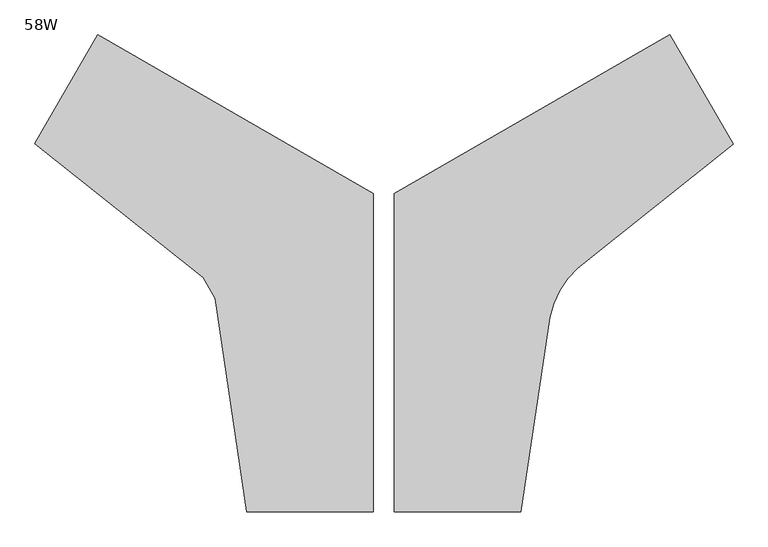
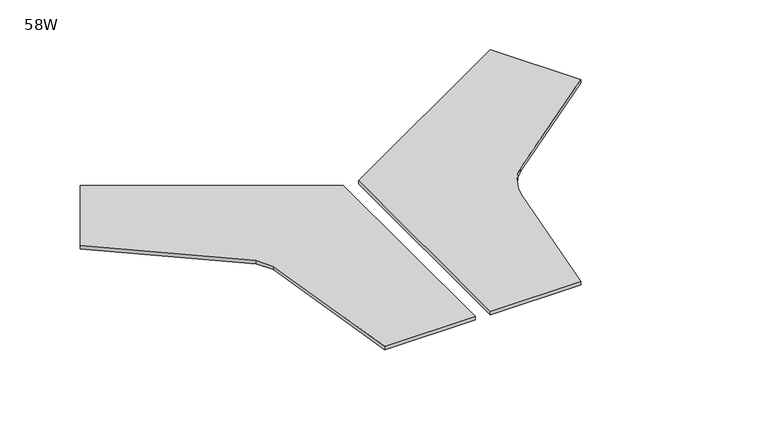
"""IFC4 building model written with IfcOpenShell, lengths in millimetres: furniture geometry, 58W."""

from ifc_helpers import new_model, si_unit, point, frame, frame_2d, origin, place, context, project, spatial, polyline, circle_curve, trimmed, segment, composite_curve, outline, extrude, source, transform, mapped, element, save


def furniture_58w_39054244(model_context):
    return source(origin(), model_context, "Body", "SweptSolid", [
        extrude(outline(composite_curve([segment(polyline([(914.5843708, 711.6439614), (914.5843708, 2196.1129292), (2200.172208, 2938.3474131), (2494.8533963, 2427.9446229), (1769.1537565, 1850.2833546)]), True, "CONTINUOUS"), segment(trimmed(circle_curve(frame_2d((2053.9411619, 1540.1064391)), 421.0861969), [point((1769.1537565, 1850.2833546))], [point((1640.0524768, 1617.6289617))], True, "CARTESIAN"), True, "CONTINUOUS"), segment(polyline([(1640.0524768, 1617.6289617), (1504.3287824, 711.6439614), (914.5843708, 711.6439614)]), True, "CONTINUOUS")], self_intersect=False)), frame((0.0, 0.0, 700.1266825), z_axis=(0.0, 0.0, 1.0), x_axis=(1.0, 0.0, 0.0)), (0.0, 0.0, 1.0), 23.7733175),
        extrude(outline(composite_curve([segment(polyline([(816.4613957, 711.6439614), (226.5949811, 711.6439614), (77.5942876, 1706.2558007)]), True, "CONTINUOUS"), segment(trimmed(circle_curve(frame_2d((-643.7310071, 1361.911949)), 799.3014881), [point((77.5942876, 1706.2558007))], [point((21.7065605, 1804.7163219))], True, "CARTESIAN"), True, "CONTINUOUS"), segment(polyline([(21.7065605, 1804.7163219), (-762.9984279, 2429.3462017), (-469.1264415, 2938.3474131), (816.4613957, 2196.1129292), (816.4613957, 711.6439614)]), True, "CONTINUOUS")], self_intersect=False)), frame((0.0, 0.0, 700.1266825), z_axis=(0.0, 0.0, 1.0), x_axis=(1.0, 0.0, 0.0)), (0.0, 0.0, 1.0), 23.7733175),
    ])


if __name__ == "__main__":
    model = new_model("IFC4")
    model_context = context("Model", 3, world=origin())
    ifc_project = project(units=[si_unit("LENGTHUNIT", "METRE", prefix="MILLI")], contexts=[model_context])
    site = spatial("IfcSite", under=ifc_project)
    building = spatial("IfcBuilding", under=site)
    placement = place(None, origin())
    furniture_58w_shape = furniture_58w_39054244(model_context)
    element("IfcFurniture", 1, ObjectType="58W", at=placement, inside=building, context=model_context, shape_type="MappedRepresentation", body=[
        mapped(furniture_58w_shape, transform((0.0, 0.0, 0.0), x_axis=(1.0, 0.0, 0.0), y_axis=(0.0, 1.0, 0.0), z_axis=(0.0, 0.0, 1.0))),
    ])
    save(model, "model.ifc")
